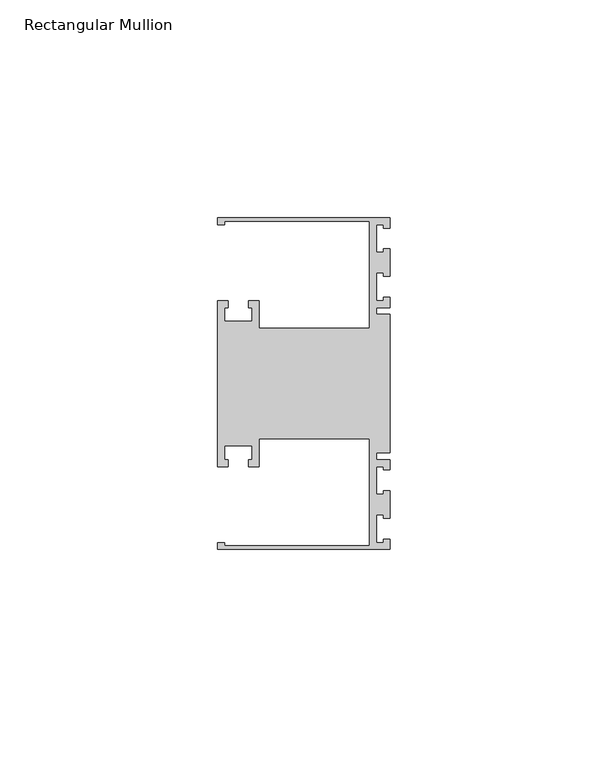
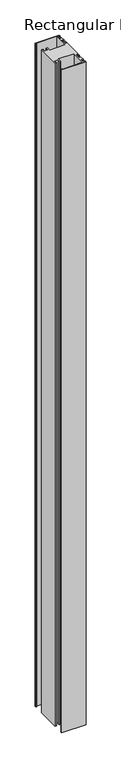
"""IFC4 building model written with IfcOpenShell, lengths in millimetres: member geometry, Rectangular Mullion."""

from ifc_helpers import new_model, si_unit, frame, origin, place, context, project, spatial, polyline, outline, extrude, source, transform, mapped, element, save


def rectangular_mullion_36a41ba8(model_context):
    return source(origin(), model_context, "Body", "SweptSolid", [
        extrude(outline(polyline([(0.0, -38.1), (-39.6875, -38.1), (-39.6875, -36.5125), (-38.1, -36.5125), (-38.1, -37.30625), (-4.7625, -37.30625), (-4.7625, -12.7), (-30.1625, -12.7), (-30.1625, -19.05), (-32.54375, -19.05), (-32.54375, -17.4625), (-31.75, -17.4625), (-31.75, -14.2875), (-38.1, -14.2875), (-38.1, -17.4625), (-37.30625, -17.4625), (-37.30625, -19.05), (-39.6875, -19.05), (-39.6875, 19.05), (-37.30625, 19.05), (-37.30625, 17.4625), (-38.1, 17.4625), (-38.1, 14.2875), (-31.75, 14.2875), (-31.75, 17.4625), (-32.54375, 17.4625), (-32.54375, 19.05), (-30.1625, 19.05), (-30.1625, 12.7), (-4.7625, 12.7), (-4.7625, 37.30625), (-38.1, 37.30625), (-38.1, 36.5125), (-39.6875, 36.5125), (-39.6875, 38.1), (0.0, 38.1), (0.0, 35.71875), (-1.4999946, 35.71875), (-1.4999946, 36.5125), (-3.175, 36.5125), (-3.175, 30.1625), (-1.4999946, 30.1625), (-1.4999946, 30.95625), (0.0, 30.95625), (0.0, 24.60625), (-1.4999946, 24.60625), (-1.4999946, 25.4), (-3.175, 25.4), (-3.175, 19.05), (-1.4999946, 19.05), (-1.4999946, 19.84375), (0.0, 19.84375), (0.0, 17.4625), (-3.175, 17.4625), (-3.175, 15.875), (0.0, 15.875), (0.0, -15.875), (-3.175, -15.875), (-3.175, -17.4625), (0.0, -17.4625), (0.0, -19.84375), (-1.4999946, -19.84375), (-1.4999946, -19.05), (-3.175, -19.05), (-3.175, -25.4), (-1.4999946, -25.4), (-1.4999946, -24.60625), (0.0, -24.60625), (0.0, -30.95625), (-1.4999946, -30.95625), (-1.4999946, -30.1625), (-3.175, -30.1625), (-3.175, -36.5125), (-1.4999946, -36.5125), (-1.4999946, -35.71875), (0.0, -35.71875), (0.0, -38.1)])), frame((0.0, 0.0, -1152.525), z_axis=(0.0, 0.0, 1.0), x_axis=(1.0, 0.0, 0.0)), (0.0, 0.0, 1.0), 1152.525),
    ])


if __name__ == "__main__":
    model = new_model("IFC4")
    model_context = context("Model", 3, world=origin())
    ifc_project = project(units=[si_unit("LENGTHUNIT", "METRE", prefix="MILLI")], contexts=[model_context])
    site = spatial("IfcSite", under=ifc_project)
    building = spatial("IfcBuilding", under=site)
    placement = place(None, origin())
    rectangular_mullion_shape = rectangular_mullion_36a41ba8(model_context)
    element("IfcMember", 1, ObjectType="Rectangular Mullion", at=placement, inside=building, context=model_context, shape_type="MappedRepresentation", body=[
        mapped(rectangular_mullion_shape, transform((0.0, 0.0, 0.0), x_axis=(1.0, 0.0, 0.0), y_axis=(0.0, 1.0, 0.0), z_axis=(0.0, 0.0, 1.0))),
    ])
    save(model, "model.ifc")
